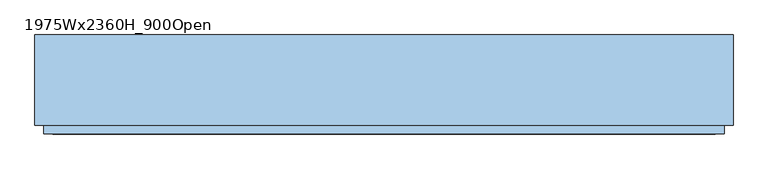
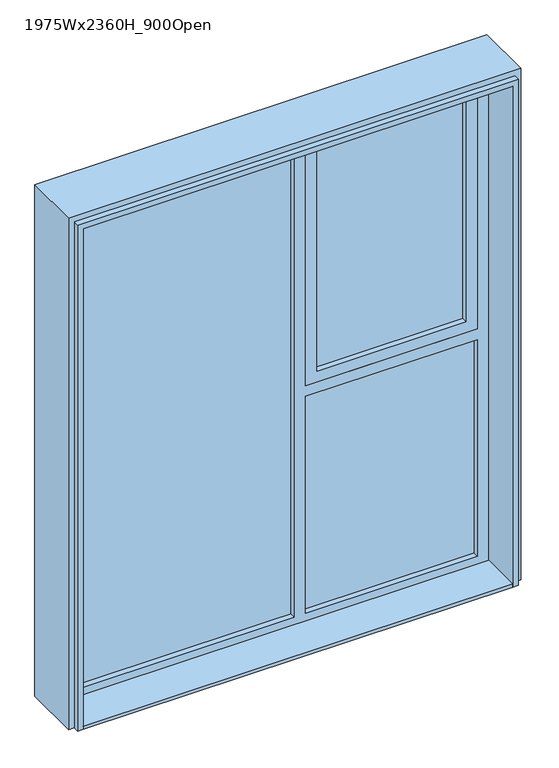
"""IFC4 building model written with IfcOpenShell, lengths in millimetres: window geometry, 1975Wx2360H_900Open."""

from ifc_helpers import new_model, si_unit, frame, origin, origin_with_axes, place, context, project, spatial, polyline, outline, extrude, faceted_brep, source, transform, mapped, element, save


def window_1975wx2360h_900open_1925e6e1(model_context):
    return source(origin(), model_context, "Body", "SolidModel", [
        extrude(outline(polyline([(837.5, -67.0), (187.5, -67.0), (187.5, -49.0), (837.5, -49.0), (837.5, -67.0)])), frame((0.0, 0.0, 1150.0), z_axis=(0.0, 0.0, 1.0), x_axis=(1.0, 0.0, 0.0)), (0.0, 0.0, 1.0), 1060.0),
        extrude(outline(polyline([(87.5, -67.0), (-887.5, -67.0), (-887.5, -49.0), (87.5, -49.0), (87.5, -67.0)])), frame((0.0, 0.0, 50.0), z_axis=(0.0, 0.0, 1.0), x_axis=(1.0, 0.0, 0.0)), (0.0, 0.0, 1.0), 2210.0),
        extrude(outline(polyline([(2260.0, 887.5), (2260.0, 137.5), (1100.0, 137.5), (1100.0, 887.5), (2260.0, 887.5)]), holes=[polyline([(2210.0, 837.5), (1150.0, 837.5), (1150.0, 187.5), (2210.0, 187.5), (2210.0, 837.5)])]), frame((0.0, -92.0, 0.0), z_axis=(0.0, 1.0, 0.0), x_axis=(0.0, 0.0, 1.0)), (0.0, 0.0, 1.0), 100.0),
        faceted_brep([(962.5, -272.0, 2335.0), (962.5, -272.0, 0.0), (962.5, -247.0, 0.0), (962.5, -247.0, 2335.0), (987.5, -247.0, 0.0), (987.5, -247.0, 2360.0), (-987.5, -247.0, 2360.0), (-987.5, -247.0, 0.0), (-962.5, -247.0, 0.0), (-962.5, -247.0, 2335.0), (-962.5, -272.0, 0.0), (-987.5, 8.0, 0.0), (-937.5, 8.0, 0.0), (-937.5, -272.0, 0.0), (937.5, -272.0, 0.0), (937.5, 8.0, 0.0), (987.5, 8.0, 0.0), (-962.5, -272.0, 2335.0), (-937.5, -272.0, 2310.0), (937.5, -272.0, 2310.0), (-987.5, 8.0, 2360.0), (987.5, 8.0, 2360.0), (937.5, 8.0, 2310.0), (-937.5, 8.0, 2310.0)], [[[0, 1, 2, 3]], [[4, 5, 6, 7, 8, 9, 3, 2]], [[10, 8, 7, 11, 12, 13]], [[1, 14, 15, 16, 4, 2]], [[17, 10, 13, 18, 19, 14, 1, 0]], [[8, 10, 17, 9]], [[6, 20, 11, 7]], [[21, 5, 4, 16]], [[14, 19, 22, 15]], [[12, 23, 18, 13]], [[11, 20, 21, 16, 15, 22, 23, 12]], [[3, 9, 17, 0]], [[18, 23, 22, 19]], [[5, 21, 20, 6]]]),
        extrude(outline(polyline([(2310.0, 937.5), (2310.0, -937.5), (0.0, -937.5), (0.0, 897.5), (0.0, 937.5), (2310.0, 937.5)]), holes=[polyline([(1100.0, 137.5), (2260.0, 137.5), (2260.0, 887.5), (1100.0, 887.5), (1100.0, 137.5)]), polyline([(1050.0, 887.5), (50.0, 887.5), (50.0, 137.5), (1050.0, 137.5), (1050.0, 887.5)]), polyline([(50.0, 87.5), (50.0, -887.5), (2260.0, -887.5), (2260.0, 87.5), (50.0, 87.5)])]), frame((0.0, -92.0, 0.0), z_axis=(0.0, 1.0, 0.0), x_axis=(0.0, 0.0, 1.0)), (0.0, 0.0, 1.0), 100.0),
        extrude(outline(polyline([(887.5, -67.0), (137.5, -67.0), (137.5, -49.0), (887.5, -49.0), (887.5, -67.0)])), frame((0.0, 0.0, 50.0), z_axis=(0.0, 0.0, 1.0), x_axis=(1.0, 0.0, 0.0)), (0.0, 0.0, 1.0), 1000.0),
        extrude(outline(polyline([(937.5, -272.0), (-937.5, -272.0), (-937.5, -92.0), (937.5, -92.0), (937.5, -272.0)])), origin_with_axes(), (0.0, 0.0, 1.0), 15.0),
    ])


if __name__ == "__main__":
    model = new_model("IFC4")
    model_context = context("Model", 3, world=origin())
    ifc_project = project(units=[si_unit("LENGTHUNIT", "METRE", prefix="MILLI")], contexts=[model_context])
    site = spatial("IfcSite", under=ifc_project)
    building = spatial("IfcBuilding", under=site)
    placement = place(None, origin())
    window_1975wx2360h_900open_shape = window_1975wx2360h_900open_1925e6e1(model_context)
    element("IfcWindow", 1, ObjectType="1975Wx2360H_900Open", at=placement, inside=building, context=model_context, shape_type="MappedRepresentation", body=[
        mapped(window_1975wx2360h_900open_shape, transform((0.0, 0.0, 0.0), x_axis=(1.0, 0.0, 0.0), y_axis=(0.0, 1.0, 0.0), z_axis=(0.0, 0.0, 1.0))),
    ])
    save(model, "model.ifc")
